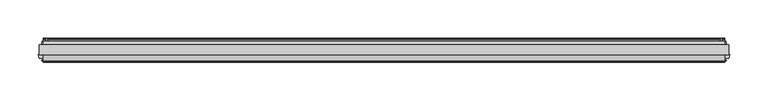
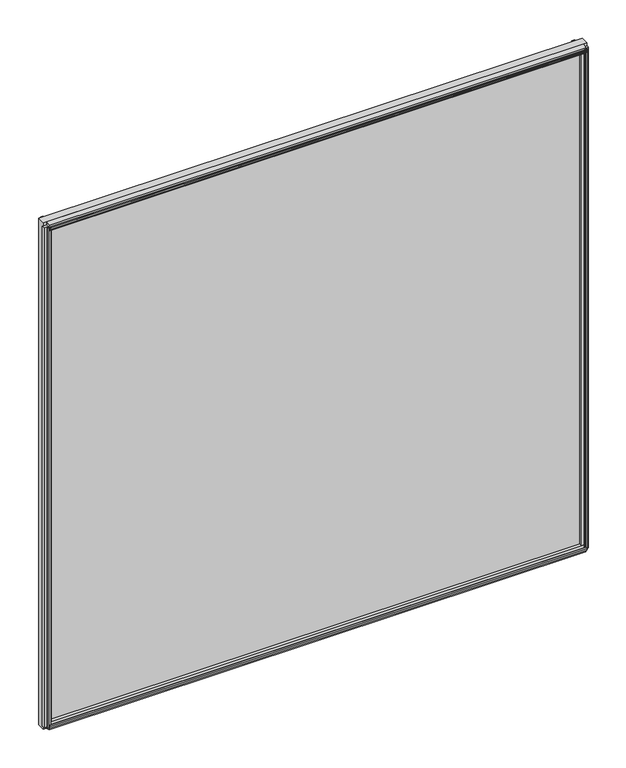
"""IFC4 building model written with IfcOpenShell, lengths in millimetres: plate geometry."""

from ifc_helpers import new_model, si_unit, frame, origin, place, context, project, spatial, polyline, outline, extrude, source, transform, mapped, element, save


def plate_407a8286(model_context):
    return source(origin(), model_context, "Body", "SweptSolid", [
        extrude(outline(polyline([(450.8666846, -0.0460375), (450.8666846, -12.8984375), (-450.8666846, -12.8984375), (-450.8666846, -0.0460375), (450.8666846, -0.0460375)])), frame((0.0, 0.0, -25.4), z_axis=(0.0, 0.0, 1.0), x_axis=(1.0, 0.0, 0.0)), (0.0, 0.0, 1.0), 888.0258326),
        extrude(outline(polyline([(-12.8984375, -25.4341173), (-20.5530511, -23.3621005), (-19.4420445, -19.2157673), (-21.9423316, -18.0461931), (-22.0980007, -19.6085386), (-22.8831052, -19.3981705), (-22.6708491, -17.0358109), (-21.6734885, -14.8838195), (-20.888384, -15.0941876), (-21.5347434, -16.5250531), (-18.7846441, -16.7623157), (-17.6736375, -12.6159825), (-12.8984375, -11.6170674), (-12.8984375, -25.4341173)])), frame((-445.3104346, 0.0, 0.0), z_axis=(1.0, 0.0, 0.0), x_axis=(0.0, 1.0, 0.0)), (0.0, 0.0, 1.0), 890.6208692),
        extrude(outline(polyline([(4.8053625, -20.1814047), (-0.0460375, -21.4148115), (-0.0460375, -7.822798), (4.8053625, -9.0562047), (4.8053625, -13.3488047), (7.5231625, -13.8314047), (7.2691625, -12.2820047), (8.0819625, -12.2820047), (8.4883625, -14.6188047), (8.0819625, -16.9556047), (7.2691625, -16.9556047), (7.5231625, -15.4062047), (4.8053625, -15.8888047), (4.8053625, -20.1814047)])), frame((-445.3104346, 0.0, 0.0), z_axis=(1.0, 0.0, 0.0), x_axis=(0.0, 1.0, 0.0)), (0.0, 0.0, 1.0), 890.6208692),
        extrude(outline(polyline([(-12.8984375, 862.6599499), (-12.8984375, 848.8429), (-17.6736375, 849.8418151), (-18.7846441, 853.9881483), (-21.5347434, 853.7508857), (-20.888384, 852.3200203), (-21.6734885, 852.1096521), (-22.6708491, 854.2616435), (-22.8831052, 856.6240031), (-22.0980007, 856.8343712), (-21.9423316, 855.2720257), (-19.4420445, 856.4415999), (-20.5530511, 860.5879331), (-12.8984375, 862.6599499)])), frame((-445.3104346, 0.0, 0.0), z_axis=(1.0, 0.0, 0.0), x_axis=(0.0, 1.0, 0.0)), (0.0, 0.0, 1.0), 890.6208692),
        extrude(outline(polyline([(4.8053625, 857.4072374), (4.8053625, 853.1146374), (7.5231625, 852.6320374), (7.2691625, 854.1814374), (8.0819625, 854.1814374), (8.4883625, 851.8446374), (8.0819625, 849.5078374), (7.2691625, 849.5078374), (7.5231625, 851.0572374), (4.8053625, 850.5746374), (4.8053625, 846.2820374), (-0.0460375, 845.0486306), (-0.0460375, 858.6406441), (4.8053625, 857.4072374)])), frame((-445.3104346, 0.0, 0.0), z_axis=(1.0, 0.0, 0.0), x_axis=(0.0, 1.0, 0.0)), (0.0, 0.0, 1.0), 890.6208692),
        extrude(outline(polyline([(444.5132376, -20.2926598), (444.0209204, -17.5766032), (439.7426454, -17.5766032), (438.5532812, -12.8984375), (452.054888, -12.8984375), (450.8678334, -17.5675189), (446.5609042, -17.5675189), (446.0880275, -20.2870275), (447.6408846, -20.0267543), (447.6408846, -20.8400217), (445.3040846, -21.2550375), (442.9672846, -20.8572426), (442.9672846, -20.0448993), (444.5132376, -20.2926598)])), frame((0.0, 0.0, -19.84375), z_axis=(0.0, 0.0, 1.0), x_axis=(1.0, 0.0, 0.0)), (0.0, 0.0, 1.0), 876.9133326),
        extrude(outline(polyline([(441.8716275, 7.6219525), (442.3471737, 4.8870913), (446.6553366, 4.8870913), (447.9095219, -0.0460375), (434.2658473, -0.0460375), (435.5262334, 4.9114812), (439.8045119, 4.9114812), (440.2968376, 7.6275848), (438.7494461, 7.3791279), (438.7494461, 8.1919227), (441.0876846, 8.5899625), (443.4230162, 8.1752075), (443.4201092, 7.3624127), (441.8716275, 7.6219525)])), frame((0.0, 0.0, -19.84375), z_axis=(0.0, 0.0, 1.0), x_axis=(1.0, 0.0, 0.0)), (0.0, 0.0, 1.0), 876.9133326),
        extrude(outline(polyline([(-446.0880275, -20.2870275), (-446.5635737, -17.5521663), (-450.8717366, -17.5521663), (-452.0522646, -12.9087562), (-438.5559046, -12.9087562), (-439.7426334, -17.5765562), (-444.0209119, -17.5765562), (-444.5132376, -20.2926598), (-442.9658461, -20.0442029), (-442.9658461, -20.8569977), (-445.3040846, -21.2550375), (-447.6394162, -20.8402825), (-447.6365092, -20.0274877), (-446.0880275, -20.2870275)])), frame((0.0, 0.0, -19.84375), z_axis=(0.0, 0.0, 1.0), x_axis=(1.0, 0.0, 0.0)), (0.0, 0.0, 1.0), 876.9133326),
        extrude(outline(polyline([(-440.3037417, 7.6219525), (-439.8281955, 4.8870913), (-435.5200326, 4.8870913), (-434.2658473, -0.0460375), (-447.9095219, -0.0460375), (-446.6491358, 4.9114812), (-442.3708574, 4.9114812), (-441.8785316, 7.6275848), (-443.4259232, 7.3791279), (-443.4259232, 8.1919227), (-441.0876846, 8.5899625), (-438.7523531, 8.1752075), (-438.7552601, 7.3624127), (-440.3037417, 7.6219525)])), frame((0.0, 0.0, -19.84375), z_axis=(0.0, 0.0, 1.0), x_axis=(1.0, 0.0, 0.0)), (0.0, 0.0, 1.0), 876.9133326),
    ])


if __name__ == "__main__":
    model = new_model("IFC4")
    model_context = context("Model", 3, world=origin())
    ifc_project = project(units=[si_unit("LENGTHUNIT", "METRE", prefix="MILLI")], contexts=[model_context])
    site = spatial("IfcSite", under=ifc_project)
    building = spatial("IfcBuilding", under=site)
    placement = place(None, origin())
    plate_shape = plate_407a8286(model_context)
    element("IfcPlate", 1, at=placement, inside=building, context=model_context, shape_type="MappedRepresentation", body=[
        mapped(plate_shape, transform((0.0, 0.0, 0.0), x_axis=(1.0, 0.0, 0.0), y_axis=(0.0, 1.0, 0.0), z_axis=(0.0, 0.0, 1.0))),
    ])
    save(model, "model.ifc")
